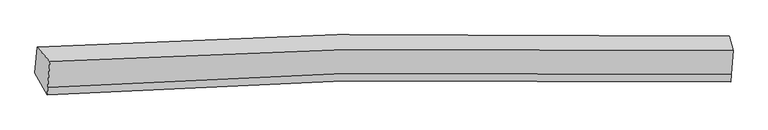
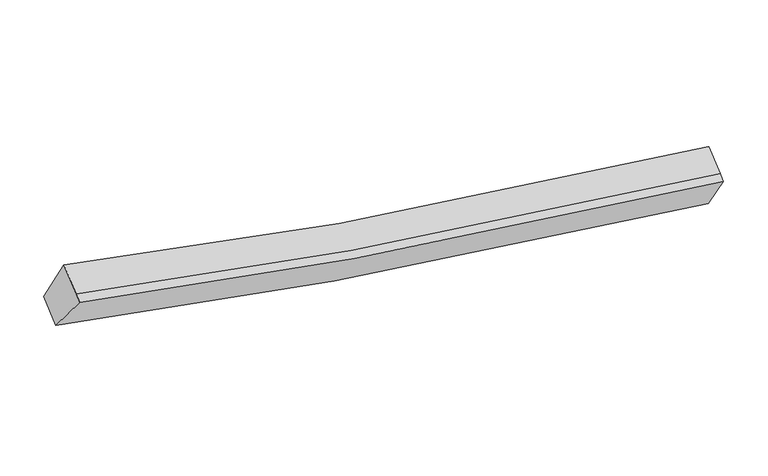
"""IFC4 building model written with IfcOpenShell, lengths in millimetres: proxy geometry."""

from ifc_helpers import new_model, si_unit, frame, origin, place, context, project, spatial, source, transform, mapped, element, save
from ifc_brep_helpers import plane_surface, spline_curve, spline_surface, advanced_brep


def generic_models_b58c5cd1(model_context):
    return source(origin(), model_context, "Body", "AdvancedBrep", [
        advanced_brep(
        [(-5021.8523756, -1830.2345013, 3912.6093084), (-4812.6285736, -2064.9529916, 4555.1212105), (6345.0367612, -1886.1906221, 2684.9499703), (6284.5266984, -1646.2590831, 2013.7865757), (-4847.7348294, -2493.1763893, 4294.9905389), (6312.7263099, -2280.3110124, 2445.5356778), (-4857.5201451, -2612.5369153, 4222.4832122), (6302.9409941, -2399.6715384, 2373.0283511), (-5056.4503847, -2252.2583444, 3656.2446484), (6252.7244939, -2034.1799188, 1778.1382948)],
        [
            (0, 1),
            (1, 2, spline_curve(3, [(-4812.6285736, -2064.9529916, 4555.1212105), (-3210.97053603, -1967.159002561, 4138.091288736), (-1597.817962013, -1900.753792461, 3784.164882826), (2113.928685839, -1820.753576159, 3119.736972924), (4219.997890109, -1827.571329818, 2850.272964717), (6345.0367612, -1886.1906221, 2684.9499703)], [4, 2, 4], [0.0, 16.38071656290421, 37.42417008950663])),
            (2, 3),
            (3, 0, spline_curve(3, [(6284.5266984, -1646.2590831, 2013.7865757), (4130.940798028, -1587.01401673, 2181.932030336), (1996.703172912, -1580.471774044, 2455.651083889), (-1764.46552833, -1662.564831023, 3130.194012205), (-3399.02092739, -1730.432212931, 3489.415869563), (-5021.8523756, -1830.2345013, 3912.6093084)], [4, 2, 4], [0.0, 21.04345352660242, 37.42417008950663])),
            (1, 4),
            (4, 5, spline_curve(3, [(-4847.7348294, -2493.1763893, 4294.9905389), (-3244.736944929, -2379.039054526, 3887.888625526), (-1630.652436572, -2301.266175216, 3540.867679644), (2082.29142016, -2206.662506393, 2885.310853571), (4188.360623884, -2213.480259881, 2615.846845817), (6312.7263099, -2280.3110124, 2445.5356778)], [4, 2, 4], [0.0, 16.271566629120827, 37.17480091988078])),
            (5, 2),
            (4, 6),
            (6, 7, spline_curve(3, [(-4857.5201451, -2612.5369153, 4222.4832122), (-3254.522260636, -2498.399580669, 3815.381298544), (-1640.437752359, -2420.626701434, 3468.360352718), (2072.506104343, -2326.023032342, 2812.803527162), (4178.575308361, -2332.840786278, 2543.339519181), (6302.9409941, -2399.6715384, 2373.0283511)], [4, 2, 4], [0.0, 16.27148781678493, 37.174620861441184])),
            (7, 5),
            (6, 8),
            (8, 9, spline_curve(3, [(-5056.4503847, -2252.2583444, 3656.2446484), (-3432.279090227, -2136.112710469, 3242.979217683), (-1796.79175606, -2056.87765902, 2890.662820274), (1965.574153766, -1960.181150108, 2224.990976584), (4099.811778831, -1966.723392819, 1951.271922895), (6252.7244939, -2034.1799188, 1778.1382948)], [4, 2, 4], [0.0, 16.38043201466721, 37.42351999696768])),
            (9, 7),
            (8, 0),
            (3, 9),
        ],
        [
            spline_surface(3, 3, [[(-5021.8523756, -1830.2345013, 3912.6093084), (-3399.02092766, -1730.432213057, 3489.415869414), (-1764.46552831, -1662.564830922, 3130.194012271), (1996.703172886, -1580.471774174, 2455.651083805), (4130.94079818, -1587.014016882, 2181.932030015), (6284.5266984, -1646.2590831, 2013.7865757)], [(-4952.11110826, -1908.473998086, 4126.779942435), (-3336.337463775, -1809.341142894, 3705.641009154), (-1708.916339556, -1741.961151457, 3348.184302525), (2035.778343914, -1660.565708175, 2677.013046779), (4160.626495532, -1667.199787815, 2404.712341643), (6304.696719315, -1726.236262779, 2237.50770724)], [(-4882.36984094, -1986.713494814, 4340.950576465), (-3273.653999909, -1888.250072672, 3921.86614889), (-1653.36715084, -1821.357471947, 3566.17459275), (2074.853514905, -1740.659642131, 2898.375009723), (4190.312192938, -1747.385558712, 2627.492653253), (6324.866740285, -1806.213442421, 2461.22883876)], [(-4812.6285736, -2064.9529916, 4555.1212105), (-3210.970536024, -1967.159002509, 4138.09128863), (-1597.817962086, -1900.753792482, 3784.164883003), (2113.928685933, -1820.753576132, 3119.736972697), (4219.997890289, -1827.571329645, 2850.272964881), (6345.0367612, -1886.1906221, 2684.9499703)]], [4, 4], [4, 2, 4], [0.0, 2.3468580824891907], [0.0, 16.38071656290421, 37.42417008950663]),
            spline_surface(3, 3, [[(-4812.6285736, -2064.9529916, 4555.1212105), (-3210.970536024, -1967.159002509, 4138.09128863), (-1597.817962086, -1900.753792482, 3784.164883003), (2113.928685933, -1820.753576132, 3119.736972697), (4219.997890289, -1827.571329645, 2850.272964881), (6345.0367612, -1886.1906221, 2684.9499703)], [(-4824.330658866, -2207.694124151, 4468.410986647), (-3222.226005748, -2104.452353155, 4054.690400915), (-1608.762786865, -2034.257920081, 3703.065815184), (2103.382930537, -1949.389886208, 3041.594933027), (4209.452134893, -1956.207639721, 2772.130925211), (6334.266610767, -2017.564085507, 2605.145206132)], [(-4836.032744134, -2350.435256749, 4381.700762753), (-3233.481475472, -2241.745703848, 3971.289513161), (-1619.707611547, -2167.762047659, 3621.966747369), (2092.837175239, -2078.026196264, 2963.452893362), (4198.906379495, -2084.843949877, 2693.988885546), (6323.496460333, -2148.937548993, 2525.340441968)], [(-4847.7348294, -2493.1763893, 4294.9905389), (-3244.736945196, -2379.039054495, 3887.888625446), (-1630.652436326, -2301.266175258, 3540.86767955), (2082.291419843, -2206.66250634, 2885.310853692), (4188.360624099, -2213.480259953, 2615.846845876), (6312.7263099, -2280.3110124, 2445.5356778)]], [4, 4], [4, 2, 4], [0.0, 1.507296782136533], [0.0, 16.271566629120827, 37.17480091988078]),
            spline_surface(3, 3, [[(-4847.7348294, -2493.1763893, 4294.9905389), (-3244.736945196, -2379.039054495, 3887.888625446), (-1630.652436326, -2301.266175258, 3540.86767955), (2082.291419843, -2206.66250634, 2885.310853692), (4188.360624099, -2213.480259953, 2615.846845876), (6312.7263099, -2280.3110124, 2445.5356778)], [(-4850.996601318, -2532.963231306, 4270.821430003), (-3247.998717114, -2418.825896501, 3863.719516549), (-1633.914208243, -2341.053017264, 3516.698570653), (2079.029647926, -2246.449348346, 2861.141744795), (4185.098852182, -2253.267101959, 2591.677736979), (6309.464537982, -2320.097854406, 2421.366568903)], [(-4854.258373182, -2572.750073294, 4246.652321097), (-3251.260488979, -2458.612738488, 3839.550407644), (-1637.175980208, -2380.839859351, 3492.529461748), (2075.767875961, -2286.236190433, 2836.97263589), (4181.837080217, -2293.053943946, 2567.508628074), (6306.202766018, -2359.884696394, 2397.197459997)], [(-4857.5201451, -2612.5369153, 4222.4832122), (-3254.522260896, -2498.399580495, 3815.381298746), (-1640.437752126, -2420.626701358, 3468.36035285), (2072.506104043, -2326.02303244, 2812.803526992), (4178.575308299, -2332.840785953, 2543.339519176), (6302.9409941, -2399.6715384, 2373.0283511)]], [4, 4], [4, 2, 4], [0.0, 0.45931758530184674], [0.0, 16.27148781678493, 37.174620861441184]),
            spline_surface(3, 3, [[(-4857.5201451, -2612.5369153, 4222.4832122), (-3254.522260896, -2498.399580495, 3815.381298746), (-1640.437752126, -2420.626701358, 3468.36035285), (2072.506104043, -2326.02303244, 2812.803526992), (4178.575308299, -2332.840785953, 2543.339519176), (6302.9409941, -2399.6715384, 2373.0283511)], [(-4923.830224941, -2492.444058327, 4033.737024265), (-3313.774537283, -2377.637290472, 3624.580605106), (-1692.555753381, -2299.377020636, 3275.794508696), (2036.862120514, -2204.075738252, 2616.866010118), (4152.320798447, -2210.801654833, 2345.983653648), (6286.202160684, -2277.840998535, 2174.73166566)], [(-4990.140304859, -2372.351201373, 3844.990836335), (-3373.026813746, -2256.875000467, 3433.779911471), (-1744.673754595, -2178.127339918, 3083.228664572), (2001.218137025, -2082.128444069, 2420.928493274), (4126.066288643, -2088.762523709, 2148.627788139), (6269.463327316, -2156.010458665, 1976.43498024)], [(-5056.4503847, -2252.2583444, 3656.2446484), (-3432.279090132, -2136.112710443, 3242.979217831), (-1796.79175585, -2056.877659197, 2890.662820418), (1965.574153496, -1960.181149881, 2224.9909764), (4099.81177879, -1966.72339259, 1951.271922611), (6252.7244939, -2034.1799188, 1778.1382948)]], [4, 4], [4, 2, 4], [0.0, 2.296581228376765], [0.0, 16.38043201466721, 37.42351999696768]),
            spline_surface(3, 3, [[(-5056.4503847, -2252.2583444, 3656.2446484), (-3432.279090132, -2136.112710443, 3242.979217831), (-1796.79175585, -2056.877659197, 2890.662820418), (1965.574153496, -1960.181149881, 2224.9909764), (4099.81177879, -1966.72339259, 1951.271922611), (6252.7244939, -2034.1799188, 1778.1382948)], [(-5044.917715015, -2111.583730029, 3741.699535051), (-3421.19303599, -2000.885877977, 3325.124768343), (-1786.016346652, -1925.440049779, 2970.506551034), (1975.950493311, -1833.611357986, 2301.877678868), (4110.188118605, -1840.153600694, 2028.158625078), (6263.325228751, -1904.872973574, 1856.687721766)], [(-5033.385045285, -1970.909115671, 3827.154421749), (-3410.106981802, -1865.659045524, 3407.270318902), (-1775.240937508, -1794.00244034, 3050.350281654), (1986.326833071, -1707.041566069, 2378.764381338), (4120.564458365, -1713.583808778, 2105.045327548), (6273.925963549, -1775.566028326, 1935.237148734)], [(-5021.8523756, -1830.2345013, 3912.6093084), (-3399.02092766, -1730.432213057, 3489.415869414), (-1764.46552831, -1662.564830922, 3130.194012271), (1996.703172886, -1580.471774174, 2455.651083805), (4130.94079818, -1587.014016882, 2181.932030015), (6284.5266984, -1646.2590831, 2013.7865757)]], [4, 4], [4, 2, 4], [0.0, 1.4834399467449346], [0.0, 16.489454672545037, 37.672598385960114]),
            plane_surface(frame((6296.3072369, -1991.5752906, 2212.475798), z_axis=(0.9949715337875837, -0.02224615153391043, -0.09765631415486492), x_axis=(-0.07173785749775499, 0.5221308851374565, -0.8498429375991826))),
            plane_surface(frame((-4937.1128698, -2189.9956881, 4086.6145949), z_axis=(-0.9562180496930401, -0.09064364008116721, 0.278263853121591), x_axis=(-0.06989511251880333, -0.8525751858502018, -0.51790947637447))),
        ],
        [
            (0, [[1, 2, 3, 4]]),
            (1, [[5, 6, 7, -2]]),
            (2, [[8, 9, 10, -6]]),
            (3, [[11, 12, 13, -9]]),
            (4, [[14, -4, 15, -12]]),
            (5, [[-13, -15, -3, -7, -10]]),
            (6, [[-14, -11, -8, -5, -1]]),
        ],
    ),
    ])


if __name__ == "__main__":
    model = new_model("IFC4")
    model_context = context("Model", 3, world=origin())
    ifc_project = project(units=[si_unit("LENGTHUNIT", "METRE", prefix="MILLI")], contexts=[model_context])
    site = spatial("IfcSite", under=ifc_project)
    building = spatial("IfcBuilding", under=site)
    placement = place(None, origin())
    generic_models_shape = generic_models_b58c5cd1(model_context)
    element("IfcBuildingElementProxy", 1, Name="Generic Models", at=placement, inside=building, context=model_context, shape_type="MappedRepresentation", body=[
        mapped(generic_models_shape, transform((0.0, 0.0, 0.0), x_axis=(1.0, 0.0, 0.0), y_axis=(0.0, 1.0, 0.0), z_axis=(0.0, 0.0, 1.0))),
    ])
    save(model, "model.ifc")
